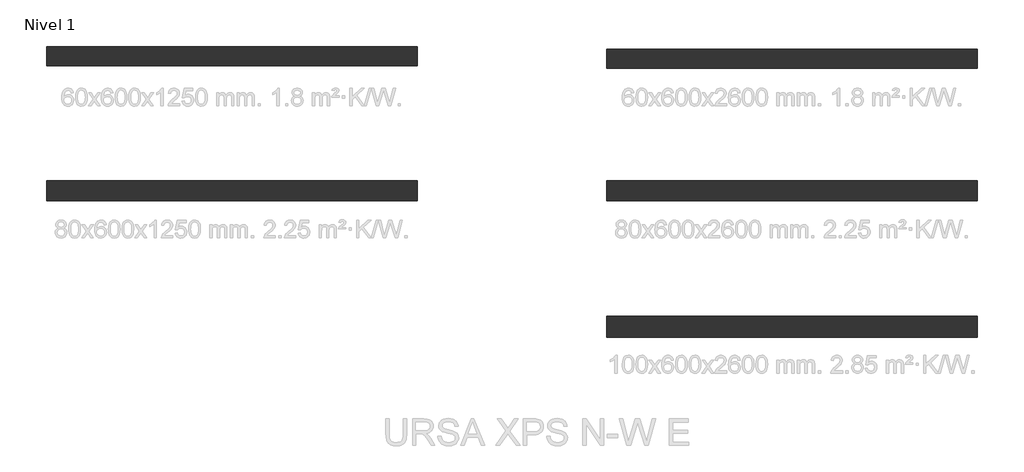
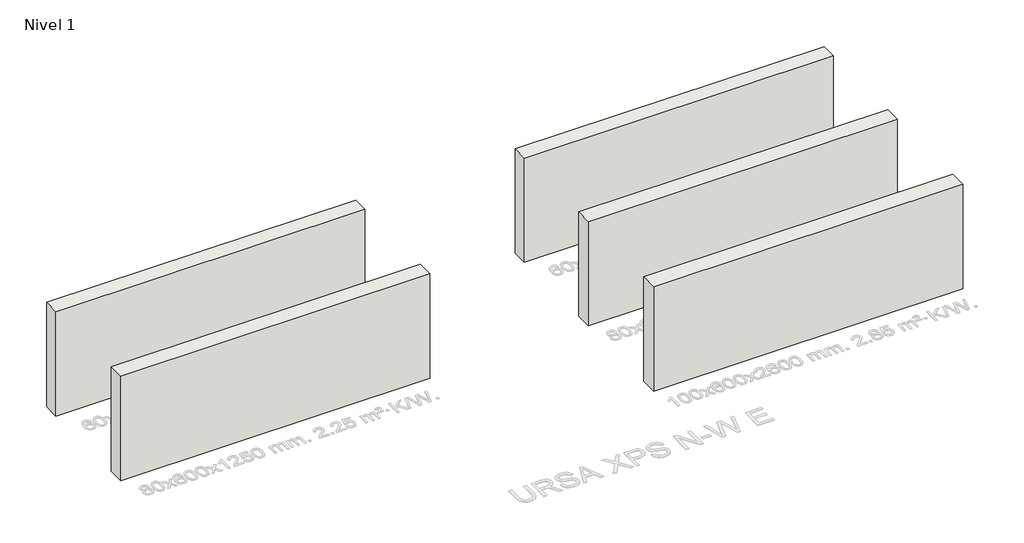
# One storey, part 1 of 8: 5 walls.
"""IFC4 building model written with IfcOpenShell, lengths in millimetres."""

from ifc_helpers import new_model, si_unit, origin, origin_with_axes, place, context, project, spatial, polyline, outline, extrude, element, save

model = new_model("IFC4")

# Units and contexts
model_context = context("Model", 3, world=origin())
ifc_project = project(units=[si_unit("LENGTHUNIT", "METRE", prefix="MILLI")], contexts=[model_context])

# Site, building, storey
site = spatial("IfcSite", under=ifc_project)
building = spatial("IfcBuilding", under=site)
storey = spatial("IfcBuildingStorey", under=building, Name="Nivel 1", Elevation=0.0)

# Walls
placement = place(None, origin())
element("IfcWall", 1, at=placement, inside=storey, context=model_context, shape_type="SweptSolid", body=[
    extrude(outline(polyline([(-17777.4179983, 6545.3831431), (-26177.4179983, 6545.3831431), (-26177.4179983, 6980.3831431), (-17777.4179983, 6980.3831431), (-17777.4179983, 6545.3831431)])), origin_with_axes(), (0.0, 0.0, 1.0), 3000.0),
])
element("IfcWall", 2, at=placement, inside=storey, context=model_context, shape_type="SweptSolid", body=[
    extrude(outline(polyline([(-17777.4179983, 3480.3831431), (-26177.4179983, 3480.3831431), (-26177.4179983, 3935.3831431), (-17777.4179983, 3935.3831431), (-17777.4179983, 3480.3831431)])), origin_with_axes(), (0.0, 0.0, 1.0), 3000.0),
])
element("IfcWall", 3, at=placement, inside=storey, context=model_context, shape_type="SweptSolid", body=[
    extrude(outline(polyline([(-5077.4179983, 3480.3831431), (-13477.4179983, 3480.3831431), (-13477.4179983, 3935.3831431), (-5077.4179983, 3935.3831431), (-5077.4179983, 3480.3831431)])), origin_with_axes(), (0.0, 0.0, 1.0), 3000.0),
])
element("IfcWall", 4, at=placement, inside=storey, context=model_context, shape_type="SweptSolid", body=[
    extrude(outline(polyline([(-5077.4179983, 395.3831431), (-13477.4179983, 395.3831431), (-13477.4179983, 870.3831431), (-5077.4179983, 870.3831431), (-5077.4179983, 395.3831431)])), origin_with_axes(), (0.0, 0.0, 1.0), 3000.0),
])
element("IfcWall", 5, at=placement, inside=storey, context=model_context, shape_type="SweptSolid", body=[
    extrude(outline(polyline([(-5077.4179983, 6489.420547), (-13477.4179983, 6489.420547), (-13477.4179983, 6924.420547), (-5077.4179983, 6924.420547), (-5077.4179983, 6489.420547)])), origin_with_axes(), (0.0, 0.0, 1.0), 3000.0),
])

save(model, "model.ifc")
